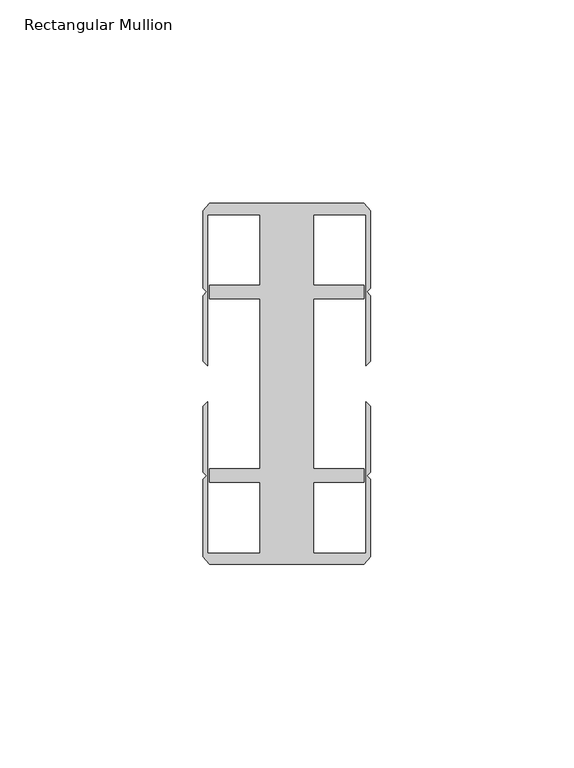
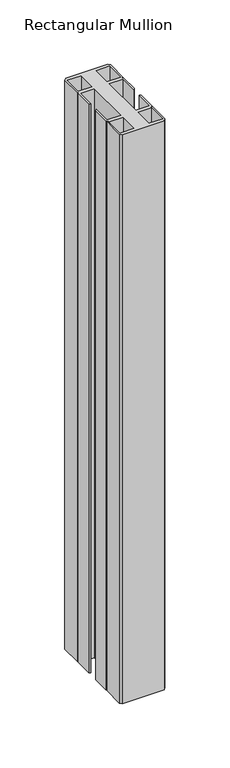
"""IFC4 building model written with IfcOpenShell, lengths in millimetres: member geometry, Rectangular Mullion."""

from ifc_helpers import new_model, si_unit, frame, origin, place, context, project, spatial, polyline, outline, extrude, source, transform, mapped, element, save


def rectangular_mullion_d905bfdb(model_context):
    return source(origin(), model_context, "Body", "SweptSolid", [
        extrude(outline(polyline([(6.6000002, 41.6500013), (6.6000002, 24.2500008), (19.05, 24.2500008), (19.05, 20.9500007), (6.6000002, 20.9500007), (6.6000002, -20.9500007), (19.05, -20.9500007), (19.05, -24.2500008), (6.6000002, -24.2500008), (6.6000002, -41.6500013), (19.4924102, -41.6500013), (19.4924102, -4.4111602), (20.6375, -5.55625), (20.6375, -21.7153948), (19.7291674, -22.6237274), (20.6375, -23.53206), (20.6375, -42.5778955), (19.05, -44.45), (-19.05, -44.45), (-20.6375, -42.5778955), (-20.6375, -23.53206), (-19.7291674, -22.6237274), (-20.6375, -21.7153948), (-20.6375, -5.55625), (-19.4924102, -4.4111602), (-19.4924102, -41.6500013), (-6.6000002, -41.6500013), (-6.6000002, -24.2500008), (-19.05, -24.2500008), (-19.05, -20.9500007), (-6.6000002, -20.9500007), (-6.6000002, 20.9500007), (-19.05, 20.9500007), (-19.05, 24.2500008), (-6.6000002, 24.2500008), (-6.6000002, 41.6500013), (-19.4924102, 41.6500013), (-19.4924102, 4.4111602), (-20.6375, 5.55625), (-20.6375, 21.7153948), (-19.7291674, 22.6237274), (-20.6375, 23.53206), (-20.6375, 42.5778955), (-19.05, 44.45), (19.05, 44.45), (20.6375, 42.5778955), (20.6375, 23.53206), (19.7291674, 22.6237274), (20.6375, 21.7153948), (20.6375, 5.55625), (19.4924102, 4.4111602), (19.4924102, 41.6500013), (6.6000002, 41.6500013)])), frame((0.0, 0.0, -544.5125), z_axis=(0.0, 0.0, 1.0), x_axis=(1.0, 0.0, 0.0)), (0.0, 0.0, 1.0), 544.5125),
    ])


if __name__ == "__main__":
    model = new_model("IFC4")
    model_context = context("Model", 3, world=origin())
    ifc_project = project(units=[si_unit("LENGTHUNIT", "METRE", prefix="MILLI")], contexts=[model_context])
    site = spatial("IfcSite", under=ifc_project)
    building = spatial("IfcBuilding", under=site)
    placement = place(None, origin())
    rectangular_mullion_shape = rectangular_mullion_d905bfdb(model_context)
    element("IfcMember", 1, ObjectType="Rectangular Mullion", at=placement, inside=building, context=model_context, shape_type="MappedRepresentation", body=[
        mapped(rectangular_mullion_shape, transform((0.0, 0.0, 0.0), x_axis=(1.0, 0.0, 0.0), y_axis=(0.0, 1.0, 0.0), z_axis=(0.0, 0.0, 1.0))),
    ])
    save(model, "model.ifc")
